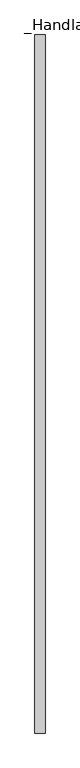
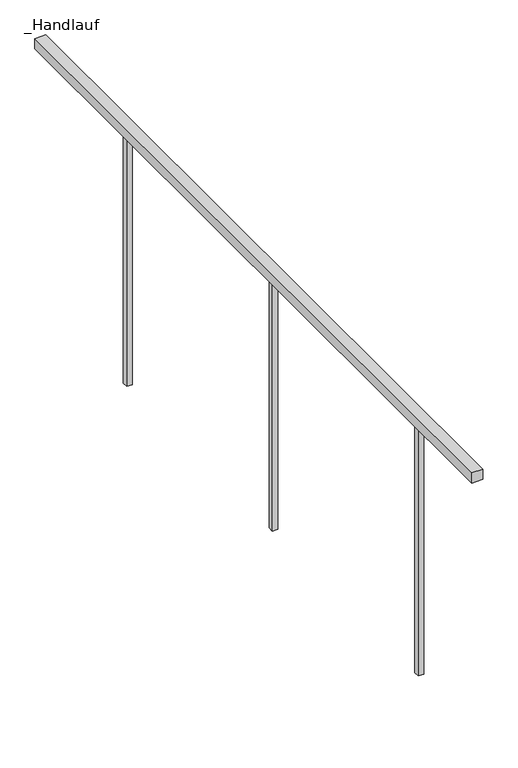
"""IFC4 building model written with IfcOpenShell, lengths in millimetres: railing geometry, _Handlauf."""

from ifc_helpers import new_model, si_unit, frame, origin, place, context, project, spatial, polyline, outline, extrude, source, transform, mapped, element, save


def handlauf_ca80fa0a(model_context):
    return source(origin(), model_context, "Body", "SweptSolid", [
        extrude(outline(polyline([(1960.0, 8050.0), (2000.0, 8050.0), (2000.0, 5300.0), (1960.0, 5300.0), (1960.0, 8050.0)])), frame((0.0, 0.0, 4460.0), z_axis=(0.0, 0.0, 1.0), x_axis=(1.0, 0.0, 0.0)), (0.0, 0.0, 1.0), 40.0),
        extrude(outline(polyline([(1970.0, 5676.6666667), (1990.0, 5676.6666667), (1990.0, 5656.6666667), (1970.0, 5656.6666667), (1970.0, 5676.6666667)])), frame((0.0, 0.0, 3500.0), z_axis=(0.0, 0.0, 1.0), x_axis=(1.0, 0.0, 0.0)), (0.0, 0.0, 1.0), 960.0),
        extrude(outline(polyline([(1970.0, 6593.3333333), (1990.0, 6593.3333333), (1990.0, 6573.3333333), (1970.0, 6573.3333333), (1970.0, 6593.3333333)])), frame((0.0, 0.0, 3500.0), z_axis=(0.0, 0.0, 1.0), x_axis=(1.0, 0.0, 0.0)), (0.0, 0.0, 1.0), 960.0),
        extrude(outline(polyline([(1970.0, 7510.0), (1990.0, 7510.0), (1990.0, 7490.0), (1970.0, 7490.0), (1970.0, 7510.0)])), frame((0.0, 0.0, 3500.0), z_axis=(0.0, 0.0, 1.0), x_axis=(1.0, 0.0, 0.0)), (0.0, 0.0, 1.0), 960.0),
    ])


if __name__ == "__main__":
    model = new_model("IFC4")
    model_context = context("Model", 3, world=origin())
    ifc_project = project(units=[si_unit("LENGTHUNIT", "METRE", prefix="MILLI")], contexts=[model_context])
    site = spatial("IfcSite", under=ifc_project)
    building = spatial("IfcBuilding", under=site)
    placement = place(None, origin())
    handlauf_shape = handlauf_ca80fa0a(model_context)
    element("IfcRailing", 1, ObjectType="_Handlauf", at=placement, inside=building, context=model_context, shape_type="MappedRepresentation", body=[
        mapped(handlauf_shape, transform((0.0, 0.0, 0.0), x_axis=(1.0, 0.0, 0.0), y_axis=(0.0, 1.0, 0.0), z_axis=(0.0, 0.0, 1.0))),
    ])
    save(model, "model.ifc")
